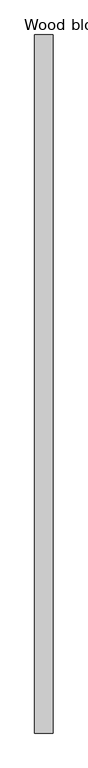
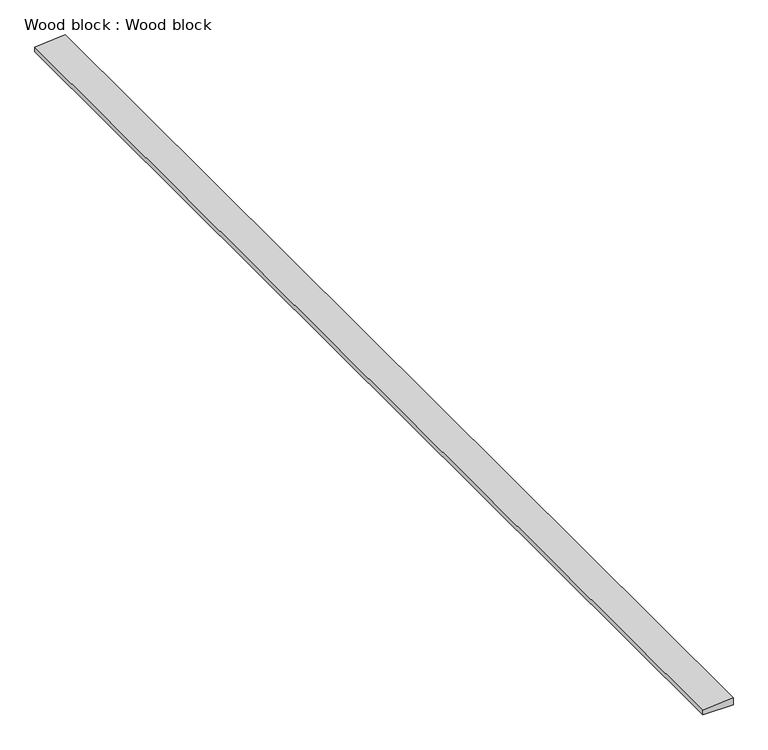
"""IFC4 building model written with IfcOpenShell, lengths in millimetres: proxy geometry, Wood block : Wood block."""

from ifc_helpers import new_model, si_unit, frame, origin, place, context, project, spatial, polyline, outline, extrude, source, transform, mapped, element, save


def wood_block_wood_block_3970d169(model_context):
    return source(origin(), model_context, "Body", "SweptSolid", [
        extrude(outline(polyline([(4118.5244141, 38234.875), (4160.2783213, 38234.875), (4145.2859906, 38063.711653), (4118.5244141, 38063.711653), (4118.5244141, 38234.875)])), frame((0.0, -25196.3529893, 0.0), z_axis=(0.0, 1.0, 0.0), x_axis=(0.0, 0.0, 1.0)), (0.0, 0.0, 1.0), 6533.92),
    ])


if __name__ == "__main__":
    model = new_model("IFC4")
    model_context = context("Model", 3, world=origin())
    ifc_project = project(units=[si_unit("LENGTHUNIT", "METRE", prefix="MILLI")], contexts=[model_context])
    site = spatial("IfcSite", under=ifc_project)
    building = spatial("IfcBuilding", under=site)
    placement = place(None, origin())
    wood_block_wood_block_shape = wood_block_wood_block_3970d169(model_context)
    element("IfcBuildingElementProxy", 1, Name="Wood block : Wood block", ObjectType="Wood block : Wood block", at=placement, inside=building, context=model_context, shape_type="MappedRepresentation", body=[
        mapped(wood_block_wood_block_shape, transform((0.0, 0.0, 0.0), x_axis=(1.0, 0.0, 0.0), y_axis=(0.0, 1.0, 0.0), z_axis=(0.0, 0.0, 1.0))),
    ])
    save(model, "model.ifc")
